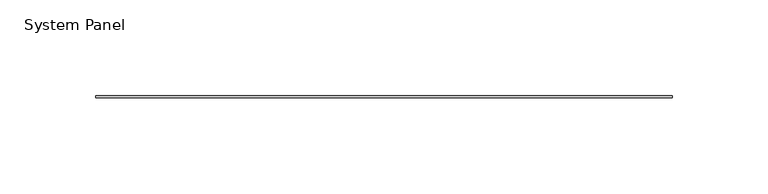
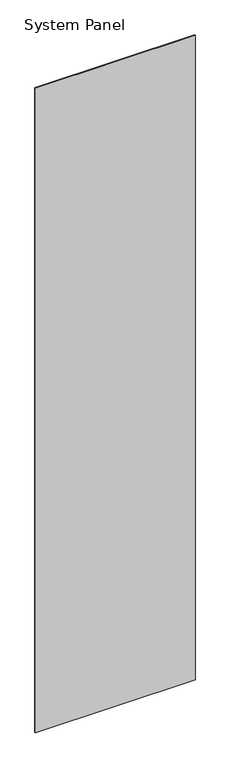
"""IFC4 building model written with IfcOpenShell, lengths in millimetres: plate geometry, System Panel."""

from ifc_helpers import new_model, si_unit, origin, origin_with_axes, place, context, project, spatial, polyline, outline, extrude, source, transform, mapped, element, save


def system_panel_42104b2e(model_context):
    return source(origin(), model_context, "Body", "SweptSolid", [
        extrude(outline(polyline([(150.6855, -0.4960937), (-150.6855, -0.4960937), (-150.6855, 0.4960938), (150.6855, 0.4960938), (150.6855, -0.4960937)])), origin_with_axes(), (0.0, 0.0, 1.0), 1285.875),
    ])


if __name__ == "__main__":
    model = new_model("IFC4")
    model_context = context("Model", 3, world=origin())
    ifc_project = project(units=[si_unit("LENGTHUNIT", "METRE", prefix="MILLI")], contexts=[model_context])
    site = spatial("IfcSite", under=ifc_project)
    building = spatial("IfcBuilding", under=site)
    placement = place(None, origin())
    system_panel_shape = system_panel_42104b2e(model_context)
    element("IfcPlate", 1, ObjectType="System Panel", at=placement, inside=building, context=model_context, shape_type="MappedRepresentation", body=[
        mapped(system_panel_shape, transform((0.0, 0.0, 0.0), x_axis=(1.0, 0.0, 0.0), y_axis=(0.0, 1.0, 0.0), z_axis=(0.0, 0.0, 1.0))),
    ])
    save(model, "model.ifc")
